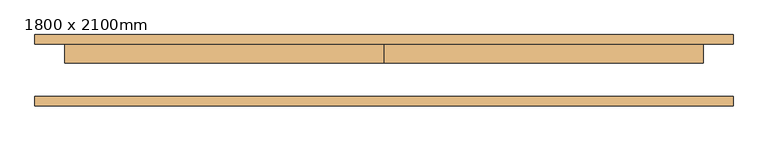
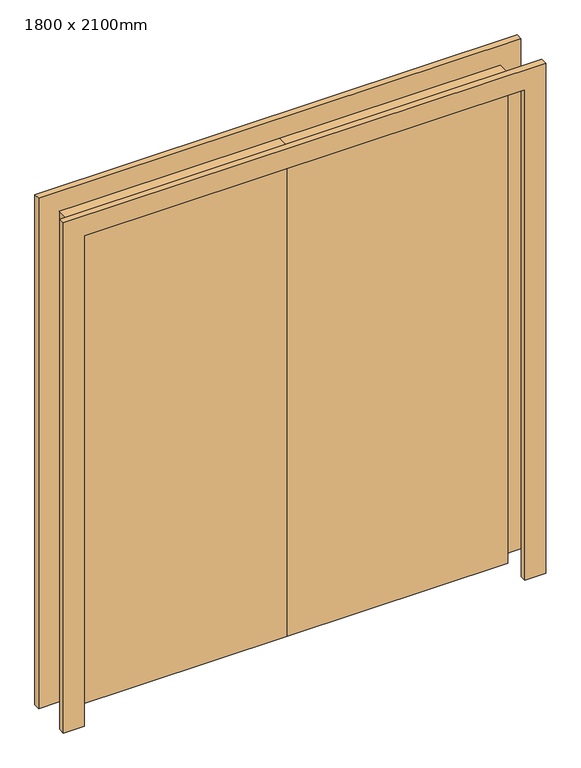
"""IFC4 building model written with IfcOpenShell, lengths in millimetres: door geometry, 1800 x 2100mm."""

from ifc_helpers import new_model, si_unit, frame, origin, origin_with_axes, place, context, project, spatial, polyline, outline, extrude, source, transform, mapped, element, save


def door_1800_x_2100mm_e1a00c25(model_context):
    return source(origin(), model_context, "Body", "SweptSolid", [
        extrude(outline(polyline([(2000.0, -850.0), (2000.0, 850.0), (0.0, 850.0), (0.0, 930.0), (2080.0, 930.0), (2080.0, -930.0), (0.0, -930.0), (0.0, -850.0), (2000.0, -850.0)])), frame((0.0, -95.0, 0.0), z_axis=(0.0, 1.0, 0.0), x_axis=(0.0, 0.0, 1.0)), (0.0, 0.0, 1.0), 25.0),
        extrude(outline(polyline([(2000.0, -850.0), (2000.0, 850.0), (0.0, 850.0), (0.0, 930.0), (2080.0, 930.0), (2080.0, -930.0), (0.0, -930.0), (0.0, -850.0), (2000.0, -850.0)])), frame((0.0, 70.0, 0.0), z_axis=(0.0, 1.0, 0.0), x_axis=(0.0, 0.0, 1.0)), (0.0, 0.0, 1.0), 25.0),
        extrude(outline(polyline([(0.0, 70.0), (850.0, 70.0), (850.0, 20.0), (0.0, 20.0), (0.0, 70.0)])), origin_with_axes(), (0.0, 0.0, 1.0), 2000.0),
        extrude(outline(polyline([(-850.0, 70.0), (0.0, 70.0), (0.0, 20.0), (-850.0, 20.0), (-850.0, 70.0)])), origin_with_axes(), (0.0, 0.0, 1.0), 2000.0),
    ])


if __name__ == "__main__":
    model = new_model("IFC4")
    model_context = context("Model", 3, world=origin())
    ifc_project = project(units=[si_unit("LENGTHUNIT", "METRE", prefix="MILLI")], contexts=[model_context])
    site = spatial("IfcSite", under=ifc_project)
    building = spatial("IfcBuilding", under=site)
    placement = place(None, origin())
    door_1800_x_2100mm_shape = door_1800_x_2100mm_e1a00c25(model_context)
    element("IfcDoor", 1, ObjectType="1800 x 2100mm", at=placement, inside=building, context=model_context, shape_type="MappedRepresentation", body=[
        mapped(door_1800_x_2100mm_shape, transform((0.0, 0.0, 0.0), x_axis=(1.0, 0.0, 0.0), y_axis=(0.0, 1.0, 0.0), z_axis=(0.0, 0.0, 1.0))),
    ])
    save(model, "model.ifc")
